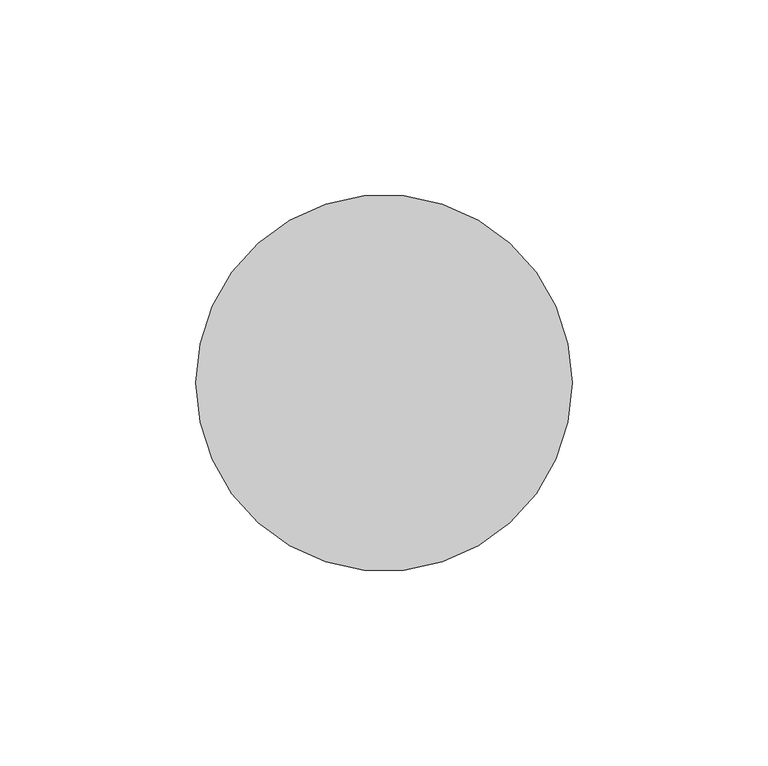
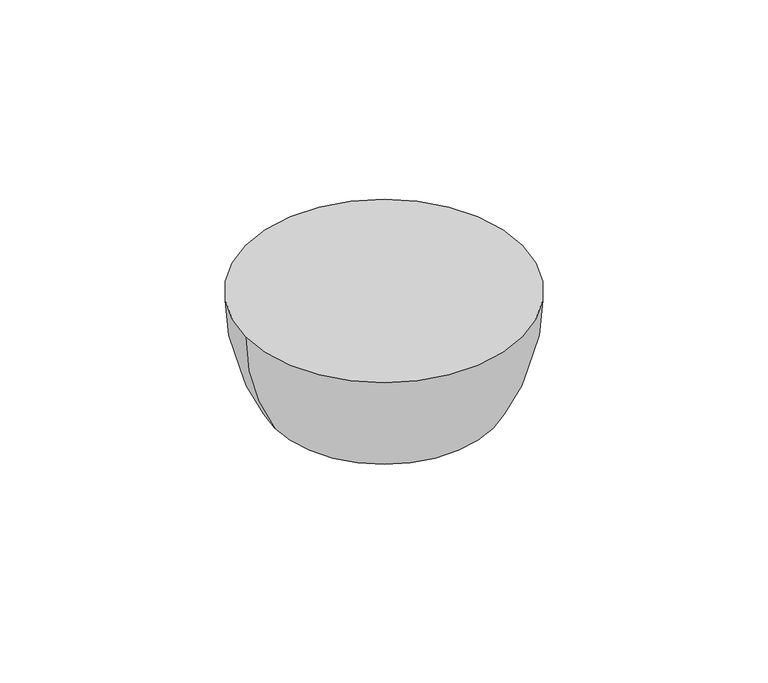
"""IFC4 building model written with IfcOpenShell, lengths in millimetres: switching device geometry."""

from ifc_helpers import new_model, si_unit, point, frame, origin, place, context, project, spatial, polyline, circle_curve, ellipse_curve, trimmed, source, transform, mapped, element, save
from ifc_brep_helpers import plane_surface, revolved_surface, advanced_brep


def switching_device_ca8e1310(model_context):
    return source(origin(), model_context, "Body", "AdvancedBrep", [
        advanced_brep(
        [(-38.0, 0.0373319, -37.0), (38.0, 0.0373319, -37.0), (0.0, -5.0, -37.0), (0.0, 5.0, -37.0), (48.0, 0.0373319, 0.0), (-48.0, 0.0373319, 0.0), (0.0, -5.0, -27.0), (0.0, 5.0, -27.0)],
        [
            (0, 1, circle_curve(frame((0.0, 0.0373319, -37.0), z_axis=(0.0, 0.0, -1.0), x_axis=(-1.0, 0.0, 0.0)), 38.0)),
            (1, 0, circle_curve(frame((0.0, 0.0373319, -37.0), z_axis=(0.0, 0.0, -1.0), x_axis=(1.0, 0.0, 0.0)), 38.0)),
            (2, 3, circle_curve(frame((0.0, 0.0, -37.0), z_axis=(0.0, 0.0, 1.0), x_axis=(0.0, 1.0, 0.0)), 5.0)),
            (3, 2, circle_curve(frame((0.0, 0.0, -37.0), z_axis=(0.0, 0.0, 1.0), x_axis=(0.0, 1.0, 0.0)), 5.0)),
            (4, 5, circle_curve(frame((0.0, 0.0373319, 0.0), z_axis=(0.0, 0.0, 1.0), x_axis=(-1.0, 0.0, 0.0)), 48.0)),
            (5, 4, circle_curve(frame((0.0, 0.0373319, 0.0), z_axis=(0.0, 0.0, 1.0), x_axis=(1.0, 0.0, 0.0)), 48.0)),
            (4, 1, circle_curve(frame((-25.45, 0.0373319, 0.0), z_axis=(0.0, 1.0, 0.0), x_axis=(-1.0, 0.0, 0.0)), 73.45)),
            (0, 5, circle_curve(frame((25.45, 0.0373319, 0.0), z_axis=(0.0, 1.0, 0.0), x_axis=(1.0, 0.0, 0.0)), 73.45)),
            (6, 7, circle_curve(frame((0.0, 0.0, -27.0), z_axis=(0.0, 0.0, -1.0), x_axis=(0.0, 1.0, 0.0)), 5.0)),
            (7, 6, circle_curve(frame((0.0, 0.0, -27.0), z_axis=(0.0, 0.0, -1.0), x_axis=(0.0, 1.0, 0.0)), 5.0)),
            (7, 3),
            (2, 6),
        ],
        [
            plane_surface(frame((48.0, 0.0373319, -37.0), z_axis=(0.0, 0.0, -1.0), x_axis=(0.0, -1.0, 0.0))),
            plane_surface(frame((48.0, 0.0373319, 0.0), z_axis=(0.0, 0.0, 1.0), x_axis=(0.0, 1.0, 0.0))),
            revolved_surface(trimmed(ellipse_curve(frame((25.45, 0.0373319, 0.0), z_axis=(0.0, -1.0, 0.0), x_axis=(1.0, 0.0, 0.0)), 73.45, 73.45), [point((-48.0, 0.0373319, 0.0))], [point((-38.0, 0.0373319, -37.0))], True, "CARTESIAN"), (0.0, 0.0373319, 0.0), (0.0, 0.0, -1.0)),
            revolved_surface(trimmed(ellipse_curve(frame((-25.45, 0.0373319, 0.0), z_axis=(0.0, 1.0, 0.0), x_axis=(-1.0, 0.0, 0.0)), 73.45, 73.45), [point((48.0, 0.0373319, 0.0))], [point((38.0, 0.0373319, -37.0))], True, "CARTESIAN"), (0.0, 0.0373319, 0.0), (0.0, 0.0, -1.0)),
            plane_surface(frame((0.0, 5.0, -27.0), z_axis=(0.0, 0.0, -1.0), x_axis=(-1.0, 0.0, 0.0))),
            revolved_surface(polyline([(0.0, 5.0, -27.0), (0.0, 5.0, -37.0)]), (0.0, 0.0, -37.0), (0.0, 0.0, 1.0)),
        ],
        [
            (0, [[1, 2], [3, 4]]),
            (1, [[5, 6]]),
            (2, [[7, -1, 8, -5]]),
            (3, [[-7, -6, -8, -2]]),
            (4, [[9, 10]]),
            (5, [[-10, 11, -3, 12]]),
            (5, [[-9, -12, -4, -11]]),
        ],
    ),
    ])


if __name__ == "__main__":
    model = new_model("IFC4")
    model_context = context("Model", 3, world=origin())
    ifc_project = project(units=[si_unit("LENGTHUNIT", "METRE", prefix="MILLI")], contexts=[model_context])
    site = spatial("IfcSite", under=ifc_project)
    building = spatial("IfcBuilding", under=site)
    placement = place(None, origin())
    switching_device_shape = switching_device_ca8e1310(model_context)
    element("IfcSwitchingDevice", 1, at=placement, inside=building, context=model_context, shape_type="MappedRepresentation", body=[
        mapped(switching_device_shape, transform((0.0, 0.0, 0.0), x_axis=(1.0, 0.0, 0.0), y_axis=(0.0, 1.0, 0.0), z_axis=(0.0, 0.0, 1.0))),
    ])
    save(model, "model.ifc")
